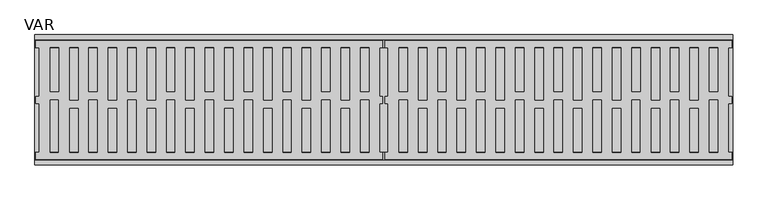
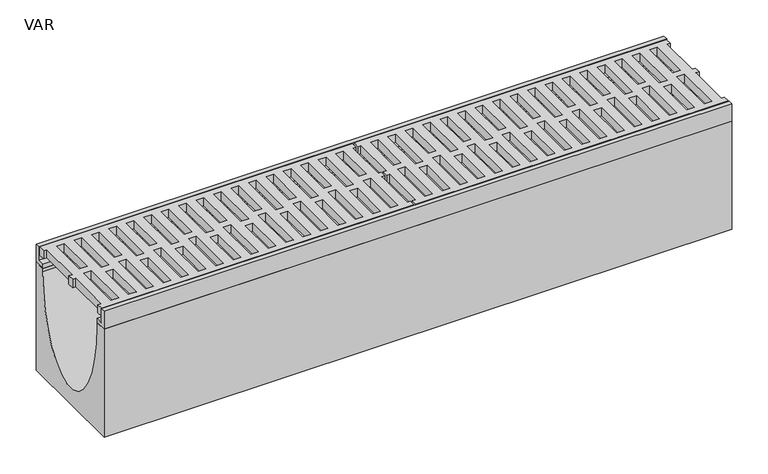
"""IFC4 building model written with IfcOpenShell, lengths in millimetres: flow terminal geometry, VAR."""

from ifc_helpers import new_model, si_unit, point, frame, origin, place, context, project, spatial, polyline, ellipse_curve, trimmed, outline, extrude, source, transform, mapped, element, save
from ifc_brep_helpers import plane_surface, extruded_surface, advanced_brep


def var_67c36785(model_context):
    return source(origin(), model_context, "Body", "SolidModel", [
        extrude(outline(polyline([(1.0, -75.0), (6.2128411, -75.0), (6.2128411, -5.0), (1.0, -5.0), (1.0, 5.0), (6.0395798, 5.0), (6.0395798, 75.0), (1.0, 75.0), (1.0, 85.0), (498.5, 85.0), (498.5, 75.0), (493.9152619, 75.0), (493.9152619, 5.0), (498.5, 5.0), (498.5, -5.0), (493.9152619, -5.0), (493.9152619, -75.0), (498.5, -75.0), (498.5, -85.0), (1.0, -85.0), (1.0, -75.0)]), holes=[polyline([(466.6, -75.0), (478.5570972, -75.0), (478.5570972, 0.0), (466.6, 0.0), (466.6, -75.0)]), polyline([(61.7694762, 75.0), (49.6, 75.0), (49.6, 0.0), (61.7694762, 0.0), (61.7694762, 75.0)]), polyline([(117.3694762, 75.0), (105.2, 75.0), (105.2, 0.0), (117.3694762, 0.0), (117.3694762, 75.0)]), polyline([(172.9694762, 75.0), (160.8, 75.0), (160.8, 0.0), (172.9694762, 0.0), (172.9694762, 75.0)]), polyline([(228.5694762, 75.0), (216.4, 75.0), (216.4, 0.0), (228.5694762, 0.0), (228.5694762, 75.0)]), polyline([(284.1694762, 75.0), (272.0, 75.0), (272.0, 0.0), (284.1694762, 0.0), (284.1694762, 75.0)]), polyline([(339.7694762, 75.0), (327.6, 75.0), (327.6, 0.0), (339.7694762, 0.0), (339.7694762, 75.0)]), polyline([(395.3694762, 75.0), (383.2, 75.0), (383.2, 0.0), (395.3694762, 0.0), (395.3694762, 75.0)]), polyline([(450.9694762, 75.0), (438.8, 75.0), (438.8, 0.0), (450.9694762, 0.0), (450.9694762, 75.0)]), polyline([(466.6, 75.0), (466.6, 11.948473), (478.6, 11.948473), (478.6, 75.0), (466.6, 75.0)]), polyline([(411.0, -75.0), (422.9570972, -75.0), (422.9570972, 0.0), (411.0, 0.0), (411.0, -75.0)]), polyline([(411.0, 75.0), (411.0, 11.948473), (423.0, 11.948473), (423.0, 75.0), (411.0, 75.0)]), polyline([(355.4, -75.0), (367.3570972, -75.0), (367.3570972, 0.0), (355.4, 0.0), (355.4, -75.0)]), polyline([(355.4, 75.0), (355.4, 11.948473), (367.4, 11.948473), (367.4, 75.0), (355.4, 75.0)]), polyline([(299.8, -75.0), (311.7570972, -75.0), (311.7570972, 0.0), (299.8, 0.0), (299.8, -75.0)]), polyline([(299.8, 75.0), (299.8, 11.948473), (311.8, 11.948473), (311.8, 75.0), (299.8, 75.0)]), polyline([(244.2, -75.0), (256.1570972, -75.0), (256.1570972, 0.0), (244.2, 0.0), (244.2, -75.0)]), polyline([(244.2, 75.0), (244.2, 11.948473), (256.2, 11.948473), (256.2, 75.0), (244.2, 75.0)]), polyline([(188.6, -75.0), (200.5570972, -75.0), (200.5570972, 0.0), (188.6, 0.0), (188.6, -75.0)]), polyline([(188.6, 75.0), (188.6, 11.948473), (200.6, 11.948473), (200.6, 75.0), (188.6, 75.0)]), polyline([(133.0, -75.0), (144.9570972, -75.0), (144.9570972, 0.0), (133.0, 0.0), (133.0, -75.0)]), polyline([(133.0, 75.0), (133.0, 11.948473), (145.0, 11.948473), (145.0, 75.0), (133.0, 75.0)]), polyline([(77.4, -75.0), (89.3570972, -75.0), (89.3570972, 0.0), (77.4, 0.0), (77.4, -75.0)]), polyline([(77.4, 75.0), (77.4, 11.948473), (89.4, 11.948473), (89.4, 75.0), (77.4, 75.0)]), polyline([(21.8, -75.0), (33.7570972, -75.0), (33.7570972, 0.0), (21.8, 0.0), (21.8, -75.0)]), polyline([(49.6, -75.0), (61.7694762, -75.0), (61.7694762, -11.948473), (49.6, -11.948473), (49.6, -75.0)]), polyline([(105.2, -75.0), (117.3694762, -75.0), (117.3694762, -11.948473), (105.2, -11.948473), (105.2, -75.0)]), polyline([(160.8, -75.0), (172.9694762, -75.0), (172.9694762, -11.948473), (160.8, -11.948473), (160.8, -75.0)]), polyline([(216.4, -75.0), (228.5694762, -75.0), (228.5694762, -11.948473), (216.4, -11.948473), (216.4, -75.0)]), polyline([(272.0, -75.0), (284.1694762, -75.0), (284.1694762, -11.948473), (272.0, -11.948473), (272.0, -75.0)]), polyline([(327.6, -75.0), (339.7694762, -75.0), (339.7694762, -11.948473), (327.6, -11.948473), (327.6, -75.0)]), polyline([(383.2, -75.0), (395.3694762, -75.0), (395.3694762, -11.948473), (383.2, -11.948473), (383.2, -75.0)]), polyline([(438.8, -75.0), (450.9694762, -75.0), (450.9694762, -11.948473), (438.8, -11.948473), (438.8, -75.0)]), polyline([(21.8, 75.0), (21.8, 11.948473), (33.8, 11.948473), (33.8, 75.0), (21.8, 75.0)])]), frame((0.0, 0.0, -14.0), z_axis=(0.0, 0.0, 1.0), x_axis=(1.0, 0.0, 0.0)), (0.0, 0.0, 1.0), 14.0),
        extrude(outline(polyline([(999.0, 75.0), (993.9152619, 75.0), (993.9152619, 5.0), (999.0, 5.0), (999.0, -5.0), (993.9152619, -5.0), (993.9152619, -75.0), (999.0, -75.0), (999.0, -85.0), (501.5, -85.0), (501.5, -75.0), (506.0847381, -75.0), (506.0847381, -5.0), (501.5, -5.0), (501.5, 5.0), (506.0847381, 5.0), (506.0847381, 75.0), (501.5, 75.0), (501.5, 85.0), (999.0, 85.0), (999.0, 75.0)]), holes=[polyline([(799.8, 75.0), (799.8, 11.948473), (811.8, 11.948473), (811.8, 75.0), (799.8, 75.0)]), polyline([(966.6, 75.0), (966.6, 11.948473), (978.6, 11.948473), (978.6, 75.0), (966.6, 75.0)]), polyline([(911.0, 75.0), (911.0, 11.948473), (923.0, 11.948473), (923.0, 75.0), (911.0, 75.0)]), polyline([(744.2, 75.0), (744.2, 11.948473), (756.2, 11.948473), (756.2, 75.0), (744.2, 75.0)]), polyline([(855.4, 75.0), (855.4, 11.948473), (867.4, 11.948473), (867.4, 75.0), (855.4, 75.0)]), polyline([(688.6, 75.0), (688.6, 11.948473), (700.6, 11.948473), (700.6, 75.0), (688.6, 75.0)]), polyline([(633.0, 75.0), (633.0, 11.948473), (645.0, 11.948473), (645.0, 75.0), (633.0, 75.0)]), polyline([(521.8, 75.0), (521.8, 11.948473), (533.8, 11.948473), (533.8, 75.0), (521.8, 75.0)]), polyline([(577.4, 75.0), (577.4, 11.948473), (589.4, 11.948473), (589.4, 75.0), (577.4, 75.0)]), polyline([(911.0, -75.0), (922.9570972, -75.0), (922.9570972, 0.0), (911.0, 0.0), (911.0, -75.0)]), polyline([(855.4, -75.0), (867.3570972, -75.0), (867.3570972, 0.0), (855.4, 0.0), (855.4, -75.0)]), polyline([(799.8, -75.0), (811.7570972, -75.0), (811.7570972, 0.0), (799.8, 0.0), (799.8, -75.0)]), polyline([(744.2, -75.0), (756.1570972, -75.0), (756.1570972, 0.0), (744.2, 0.0), (744.2, -75.0)]), polyline([(688.6, -75.0), (700.5570972, -75.0), (700.5570972, 0.0), (688.6, 0.0), (688.6, -75.0)]), polyline([(633.0, -75.0), (644.9570972, -75.0), (644.9570972, 0.0), (633.0, 0.0), (633.0, -75.0)]), polyline([(577.4, -75.0), (589.3570972, -75.0), (589.3570972, 0.0), (577.4, 0.0), (577.4, -75.0)]), polyline([(521.8, -75.0), (533.7570972, -75.0), (533.7570972, 0.0), (521.8, 0.0), (521.8, -75.0)]), polyline([(561.7694762, 75.0), (549.6, 75.0), (549.6, 0.0), (561.7694762, 0.0), (561.7694762, 75.0)]), polyline([(617.3694762, 75.0), (605.2, 75.0), (605.2, 0.0), (617.3694762, 0.0), (617.3694762, 75.0)]), polyline([(672.9694762, 75.0), (660.8, 75.0), (660.8, 0.0), (672.9694762, 0.0), (672.9694762, 75.0)]), polyline([(728.5694762, 75.0), (716.4, 75.0), (716.4, 0.0), (728.5694762, 0.0), (728.5694762, 75.0)]), polyline([(784.1694762, 75.0), (772.0, 75.0), (772.0, 0.0), (784.1694762, 0.0), (784.1694762, 75.0)]), polyline([(839.7694762, 75.0), (827.6, 75.0), (827.6, 0.0), (839.7694762, 0.0), (839.7694762, 75.0)]), polyline([(895.3694762, 75.0), (883.2, 75.0), (883.2, 0.0), (895.3694762, 0.0), (895.3694762, 75.0)]), polyline([(950.9694762, 75.0), (938.8, 75.0), (938.8, 0.0), (950.9694762, 0.0), (950.9694762, 75.0)]), polyline([(549.6, -75.0), (561.7694762, -75.0), (561.7694762, -11.948473), (549.6, -11.948473), (549.6, -75.0)]), polyline([(605.2, -75.0), (617.3694762, -75.0), (617.3694762, -11.948473), (605.2, -11.948473), (605.2, -75.0)]), polyline([(660.8, -75.0), (672.9694762, -75.0), (672.9694762, -11.948473), (660.8, -11.948473), (660.8, -75.0)]), polyline([(716.4, -75.0), (728.5694762, -75.0), (728.5694762, -11.948473), (716.4, -11.948473), (716.4, -75.0)]), polyline([(772.0, -75.0), (784.1694762, -75.0), (784.1694762, -11.948473), (772.0, -11.948473), (772.0, -75.0)]), polyline([(827.6, -75.0), (839.7694762, -75.0), (839.7694762, -11.948473), (827.6, -11.948473), (827.6, -75.0)]), polyline([(883.2, -75.0), (895.3694762, -75.0), (895.3694762, -11.948473), (883.2, -11.948473), (883.2, -75.0)]), polyline([(938.8, -75.0), (950.9694762, -75.0), (950.9694762, -11.948473), (938.8, -11.948473), (938.8, -75.0)]), polyline([(966.6, -75.0), (978.5570972, -75.0), (978.5570972, 0.0), (966.6, 0.0), (966.6, -75.0)])]), frame((0.0, 0.0, -14.0), z_axis=(0.0, 0.0, 1.0), x_axis=(1.0, 0.0, 0.0)), (0.0, 0.0, 1.0), 14.0),
        advanced_brep(
        [(1000.0, -75.0, -30.0), (1000.0, -93.5, -30.0), (1000.0, -93.5, -212.0), (1000.0, 93.5, -212.0), (1000.0, 93.5, -30.0), (1000.0, 75.0, -30.0), (1000.0, 75.0, -35.0), (1000.0, -75.0, -35.0), (0.0, -75.0, -30.0), (0.0, -75.0, -35.0), (0.0, 75.0, -35.0), (0.0, 75.0, -30.0), (0.0, 93.5, -30.0), (0.0, 93.5, -212.0), (0.0, -93.5, -212.0), (0.0, -93.5, -30.0)],
        [
            (0, 1),
            (1, 2),
            (2, 3),
            (3, 4),
            (4, 5),
            (5, 6),
            (6, 7, ellipse_curve(frame((1000.0, 0.0, -35.0), z_axis=(-1.0, 0.0, 0.0), x_axis=(0.0, -1.0, 0.0)), 75.0, 150.0)),
            (7, 0),
            (8, 9),
            (9, 10, ellipse_curve(frame((0.0, 0.0, -35.0), z_axis=(1.0, 0.0, 0.0), x_axis=(0.0, -1.0, 0.0)), 75.0, 150.0)),
            (10, 11),
            (11, 12),
            (12, 13),
            (13, 14),
            (14, 15),
            (15, 8),
            (8, 0),
            (7, 9),
            (6, 10),
            (5, 11),
            (4, 12),
            (3, 13),
            (2, 14),
            (1, 15),
        ],
        [
            plane_surface(frame((1000.0, 0.0, -76.75), z_axis=(1.0, 0.0, 0.0), x_axis=(0.0, 0.0, -1.0))),
            plane_surface(frame((0.0, 0.0, -76.75), z_axis=(-1.0, 0.0, 0.0), x_axis=(0.0, 0.0, -1.0))),
            plane_surface(frame((0.0, -75.0, -32.5), z_axis=(0.0, 1.0, 0.0), x_axis=(0.0, 0.0, -1.0))),
            extruded_surface(trimmed(ellipse_curve(frame((1000.0, 0.0, -35.0), z_axis=(1.0, 0.0, 0.0), x_axis=(0.0, -1.0, 0.0)), 75.0, 150.0), [point((1000.0, -75.0, -35.0))], [point((1000.0, 75.0, -35.0))], True, "CARTESIAN"), (-1000.0, 0.0, 0.0), 1000.0),
            plane_surface(frame((0.0, 75.0, -32.5), z_axis=(0.0, -1.0, 0.0), x_axis=(0.0, 0.0, 1.0))),
            plane_surface(frame((0.0, 84.25, -30.0), z_axis=(0.0, 0.0, 1.0), x_axis=(0.0, 1.0, 0.0))),
            plane_surface(frame((0.0, 93.5, -121.0), z_axis=(0.0, 1.0, 0.0), x_axis=(0.0, 0.0, -1.0))),
            plane_surface(frame((0.0, 0.0, -212.0), z_axis=(0.0, 0.0, -1.0), x_axis=(0.0, -1.0, 0.0))),
            plane_surface(frame((0.0, -93.5, -121.0), z_axis=(0.0, -1.0, 0.0), x_axis=(0.0, 0.0, 1.0))),
            plane_surface(frame((0.0, -84.25, -30.0), z_axis=(0.0, 0.0, 1.0), x_axis=(0.0, 1.0, 0.0))),
        ],
        [
            (0, [[1, 2, 3, 4, 5, 6, 7, 8]]),
            (1, [[9, 10, 11, 12, 13, 14, 15, 16]]),
            (2, [[17, -8, 18, -9]]),
            (3, [[-18, -7, 19, -10]]),
            (4, [[-19, -6, 20, -11]]),
            (5, [[-20, -5, 21, -12]]),
            (6, [[-21, -4, 22, -13]]),
            (7, [[-22, -3, 23, -14]]),
            (8, [[-23, -2, 24, -15]]),
            (9, [[-24, -1, -17, -16]]),
        ],
    ),
        extrude(outline(polyline([(-86.5, 0.0), (-86.5, -23.0), (-75.0, -23.0), (-75.0, -30.0), (-93.5, -30.0), (-93.5, 0.0), (-86.5, 0.0)])), frame((0.0, 0.0, 0.0), z_axis=(1.0, 0.0, 0.0), x_axis=(0.0, 1.0, 0.0)), (0.0, 0.0, 1.0), 1000.0),
        extrude(outline(polyline([(86.5, 0.0), (93.5, 0.0), (93.5, -30.0), (75.0, -30.0), (75.0, -23.0), (86.5, -23.0), (86.5, 0.0)])), frame((0.0, 0.0, 0.0), z_axis=(1.0, 0.0, 0.0), x_axis=(0.0, 1.0, 0.0)), (0.0, 0.0, 1.0), 1000.0),
    ])


if __name__ == "__main__":
    model = new_model("IFC4")
    model_context = context("Model", 3, world=origin())
    ifc_project = project(units=[si_unit("LENGTHUNIT", "METRE", prefix="MILLI")], contexts=[model_context])
    site = spatial("IfcSite", under=ifc_project)
    building = spatial("IfcBuilding", under=site)
    placement = place(None, origin())
    var_shape = var_67c36785(model_context)
    element("IfcFlowTerminal", 1, ObjectType="VAR", at=placement, inside=building, context=model_context, shape_type="MappedRepresentation", body=[
        mapped(var_shape, transform((0.0, 0.0, 0.0), x_axis=(1.0, 0.0, 0.0), y_axis=(0.0, 1.0, 0.0), z_axis=(0.0, 0.0, 1.0))),
    ])
    save(model, "model.ifc")
